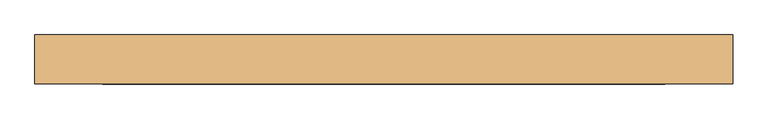
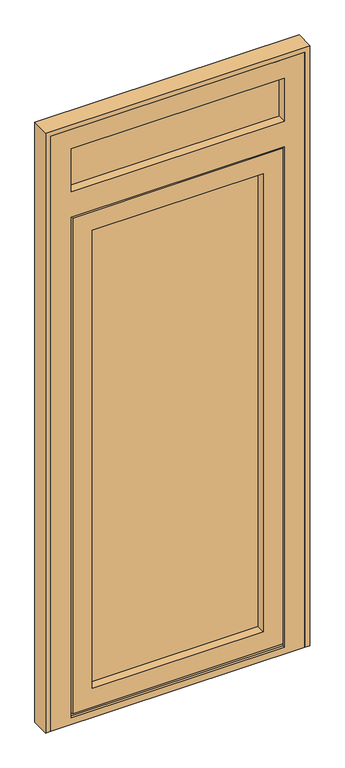
"""IFC4 building model written with IfcOpenShell, lengths in millimetres: door geometry."""

from ifc_helpers import new_model, si_unit, frame, origin, place, context, project, spatial, polyline, outline, extrude, faceted_brep, source, transform, mapped, element, save


def door_bfaff4ce(model_context):
    return source(origin(), model_context, "Body", "SolidModel", [
        extrude(outline(polyline([(466.0, 65.0), (-216.0, 65.0), (-216.0, 91.0), (466.0, 91.0), (466.0, 65.0)])), frame((0.0, 0.0, 99.0), z_axis=(0.0, 0.0, 1.0), x_axis=(1.0, 0.0, 0.0)), (0.0, 0.0, 1.0), 1868.0),
        extrude(outline(polyline([(546.0, 65.0), (-296.0, 65.0), (-296.0, 91.0), (546.0, 91.0), (546.0, 65.0)])), frame((0.0, 0.0, 2113.0), z_axis=(0.0, 0.0, 1.0), x_axis=(1.0, 0.0, 0.0)), (0.0, 0.0, 1.0), 208.0),
        faceted_brep([(-298.0, 91.0, 17.0), (-298.0, 100.0, 17.0), (548.0, 100.0, 17.0), (548.0, 91.0, 17.0), (538.0, 91.0, 17.0), (538.0, 39.0, 17.0), (528.0, 39.0, 17.0), (528.0, 91.0, 17.0), (-278.0, 91.0, 17.0), (-278.0, 39.0, 17.0), (-288.0, 39.0, 17.0), (-288.0, 91.0, 17.0), (-298.0, 91.0, 2049.0), (-298.0, 100.0, 2049.0), (548.0, 100.0, 2049.0), (-198.0, 100.0, 1949.0), (-198.0, 100.0, 117.0), (448.0, 100.0, 117.0), (448.0, 100.0, 1949.0), (-198.0, 91.0, 1949.0), (-198.0, 91.0, 117.0), (466.0, 91.0, 1967.0), (-216.0, 91.0, 1967.0), (-216.0, 91.0, 99.0), (466.0, 91.0, 99.0), (448.0, 91.0, 1949.0), (448.0, 91.0, 117.0), (-278.0, 91.0, 27.0), (528.0, 91.0, 27.0), (-216.0, 65.0, 1967.0), (-216.0, 65.0, 99.0), (466.0, 65.0, 1967.0), (466.0, 65.0, 99.0), (-198.0, 65.0, 1949.0), (-198.0, 65.0, 117.0), (448.0, 65.0, 117.0), (448.0, 65.0, 1949.0), (-198.0, 30.0, 1949.0), (-198.0, 30.0, 117.0), (523.0, 30.0, 2024.0), (-273.0, 30.0, 2024.0), (-273.0, 30.0, 42.0), (523.0, 30.0, 42.0), (448.0, 30.0, 1949.0), (448.0, 30.0, 117.0), (-273.0, 39.0, 2024.0), (-273.0, 39.0, 42.0), (528.0, 39.0, 27.0), (538.0, 39.0, 2039.0), (-288.0, 39.0, 2039.0), (-278.0, 39.0, 27.0), (523.0, 39.0, 2024.0), (523.0, 39.0, 42.0), (-288.0, 91.0, 2039.0), (538.0, 91.0, 2039.0), (548.0, 91.0, 2049.0)], [[[0, 1, 2, 3, 4, 5, 6, 7, 8, 9, 10, 11]], [[1, 0, 12, 13]], [[2, 1, 13, 14], [15, 16, 17, 18]], [[15, 19, 20, 16]], [[21, 22, 23, 24], [19, 25, 26, 20]], [[27, 8, 7, 28]], [[23, 22, 29, 30]], [[29, 31, 32, 30], [33, 34, 35, 36]], [[33, 37, 38, 34]], [[39, 40, 41, 42], [37, 43, 44, 38]], [[41, 40, 45, 46]], [[47, 6, 5, 48, 49, 10, 9, 50], [45, 51, 52, 46]], [[11, 10, 49, 53]], [[0, 11, 53, 54, 4, 3, 55, 12]], [[13, 12, 55, 14]], [[15, 18, 25, 19]], [[22, 21, 31, 29]], [[33, 36, 43, 37]], [[40, 39, 51, 45]], [[49, 48, 54, 53]], [[2, 14, 55, 3]], [[25, 18, 17, 26]], [[32, 31, 21, 24]], [[43, 36, 35, 44]], [[52, 51, 39, 42]], [[48, 5, 4, 54]], [[20, 26, 17, 16]], [[24, 23, 30, 32]], [[38, 44, 35, 34]], [[47, 28, 7, 6]], [[27, 50, 9, 8]], [[27, 28, 47, 50]], [[46, 52, 42, 41]]]),
        faceted_brep([(605.0, 30.0, 0.0), (-355.0, 30.0, 0.0), (-355.0, 100.0, 0.0), (605.0, 100.0, 0.0), (-355.0, 100.0, 2380.0), (605.0, 100.0, 2380.0), (-303.0, 100.0, 9.0), (553.0, 100.0, 9.0), (553.0, 100.0, 2054.0), (-303.0, 100.0, 2054.0), (528.0, 100.0, 2303.0), (-278.0, 100.0, 2303.0), (-278.0, 100.0, 2131.0), (528.0, 100.0, 2131.0), (-303.0, 91.0, 9.0), (-303.0, 91.0, 2054.0), (553.0, 91.0, 2054.0), (553.0, 91.0, 9.0), (-288.0, 91.0, 2039.0), (-288.0, 91.0, 27.0), (538.0, 91.0, 27.0), (538.0, 91.0, 2039.0), (-288.0, 39.0, 27.0), (-288.0, 39.0, 2039.0), (-278.0, 39.0, 27.0), (538.0, 39.0, 2039.0), (538.0, 39.0, 27.0), (528.0, 39.0, 27.0), (528.0, 39.0, 2029.0), (-278.0, 39.0, 2029.0), (-278.0, 30.0, 27.0), (-278.0, 30.0, 2029.0), (605.0, 30.0, 2380.0), (-355.0, 30.0, 2380.0), (-278.0, 30.0, 2303.0), (528.0, 30.0, 2303.0), (528.0, 30.0, 2131.0), (-278.0, 30.0, 2131.0), (528.0, 30.0, 2029.0), (528.0, 30.0, 27.0), (528.0, 65.0, 2131.0), (-278.0, 65.0, 2131.0), (-296.0, 65.0, 2321.0), (546.0, 65.0, 2321.0), (546.0, 65.0, 2113.0), (-296.0, 65.0, 2113.0), (528.0, 65.0, 2303.0), (-278.0, 65.0, 2303.0), (-296.0, 91.0, 2113.0), (546.0, 91.0, 2113.0), (546.0, 91.0, 2321.0), (-296.0, 91.0, 2321.0), (-278.0, 91.0, 2303.0), (528.0, 91.0, 2303.0), (528.0, 91.0, 2131.0), (-278.0, 91.0, 2131.0)], [[[0, 1, 2, 3]], [[2, 4, 5, 3], [6, 7, 8, 9], [10, 11, 12, 13]], [[14, 6, 9, 15]], [[14, 15, 16, 17], [18, 19, 20, 21]], [[22, 19, 18, 23]], [[24, 22, 23, 25, 26, 27, 28, 29]], [[30, 24, 29, 31]], [[32, 33, 1, 0], [34, 35, 36, 37], [31, 38, 39, 30]], [[2, 1, 33, 4]], [[3, 5, 32, 0]], [[6, 14, 17, 7]], [[19, 22, 24, 30, 39, 27, 26, 20]], [[25, 23, 18, 21]], [[31, 29, 28, 38]], [[37, 36, 40, 41]], [[42, 43, 44, 45], [46, 47, 41, 40]], [[48, 45, 44, 49]], [[50, 51, 48, 49], [52, 53, 54, 55]], [[13, 12, 55, 54]], [[16, 15, 9, 8]], [[11, 52, 55, 12]], [[51, 42, 45, 48]], [[47, 34, 37, 41]], [[4, 33, 32, 5]], [[11, 10, 53, 52]], [[51, 50, 43, 42]], [[47, 46, 35, 34]], [[53, 10, 13, 54]], [[43, 50, 49, 44]], [[35, 46, 40, 36]], [[17, 16, 8, 7]], [[21, 20, 26, 25]], [[39, 38, 28, 27]]]),
        extrude(outline(polyline([(2400.0, -375.0), (0.0, -375.0), (0.0, -355.0), (2380.0, -355.0), (2380.0, 605.0), (0.0, 605.0), (0.0, 625.0), (2400.0, 625.0), (2400.0, -375.0)])), frame((0.0, 30.0, 0.0), z_axis=(0.0, 1.0, 0.0), x_axis=(0.0, 0.0, 1.0)), (0.0, 0.0, 1.0), 70.0),
    ])


if __name__ == "__main__":
    model = new_model("IFC4")
    model_context = context("Model", 3, world=origin())
    ifc_project = project(units=[si_unit("LENGTHUNIT", "METRE", prefix="MILLI")], contexts=[model_context])
    site = spatial("IfcSite", under=ifc_project)
    building = spatial("IfcBuilding", under=site)
    placement = place(None, origin())
    door_shape = door_bfaff4ce(model_context)
    element("IfcDoor", 1, at=placement, inside=building, context=model_context, shape_type="MappedRepresentation", body=[
        mapped(door_shape, transform((0.0, 0.0, 0.0), x_axis=(1.0, 0.0, 0.0), y_axis=(0.0, 1.0, 0.0), z_axis=(0.0, 0.0, 1.0))),
    ])
    save(model, "model.ifc")
